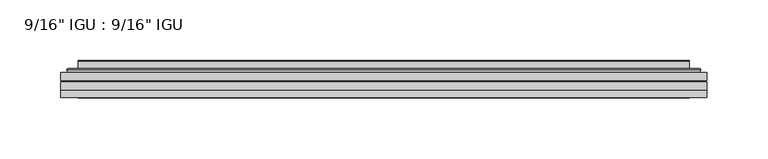
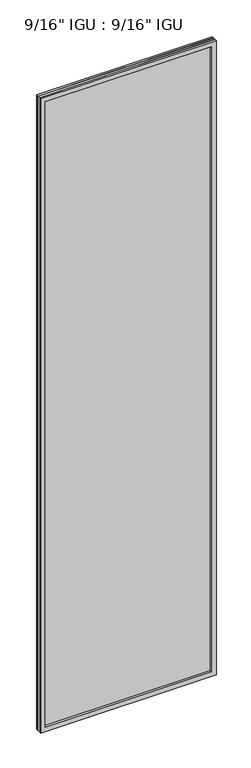
"""IFC4 building model written with IfcOpenShell, lengths in millimetres: plate geometry."""

from ifc_helpers import new_model, si_unit, frame, origin, place, context, project, spatial, polyline, ellipse_curve, outline, extrude, faceted_brep, source, transform, mapped, element, save
from ifc_brep_helpers import plane_surface, cylinder_surface, advanced_brep


def plate_60458204(model_context):
    return source(origin(), model_context, "Body", "SolidModel", [
        extrude(outline(polyline([(265.126675, -54.78145), (265.126675, -61.1317818), (-265.1125, -61.1317818), (-265.1125, -54.78145), (265.126675, -54.78145)])), frame((0.0, 0.0, -14.2875), z_axis=(0.0, 0.0, 1.0), x_axis=(1.0, 0.0, 0.0)), (0.0, 0.0, 1.0), 2022.4787979),
        extrude(outline(polyline([(-265.1125, -69.05625), (-265.1125, -62.705745), (265.126675, -62.705745), (265.126675, -69.05625), (-265.1125, -69.05625)])), frame((0.0, 0.0, -14.2875), z_axis=(0.0, 0.0, 1.0), x_axis=(1.0, 0.0, 0.0)), (0.0, 0.0, 1.0), 2022.4787979),
        faceted_brep([(-265.1252, -75.40625, 2008.2002), (-265.1252, -69.05625, 2008.2002), (-265.1252, -69.05625, -14.3002), (-265.1252, -75.40625, -14.3002), (265.1252, -69.05625, -14.3002), (265.1252, -75.40625, -14.3002), (265.1252, -69.05625, 2008.2002), (265.1252, -75.40625, 2008.2002), (-249.9272559, -69.05625, 0.8977441), (249.9272559, -69.05625, 0.8977441), (249.9272559, -69.05625, 1993.0022559), (-249.9272559, -69.05625, 1993.0022559), (-250.8196902, -75.40625, 1993.8946902), (250.8196902, -75.40625, 1993.8946902), (250.8196902, -75.40625, 0.0053098), (-250.8196902, -75.40625, 0.0053098)], [[[0, 1, 2, 3]], [[3, 2, 4, 5]], [[5, 4, 6, 7]], [[1, 6, 4, 2], [8, 9, 10, 11]], [[7, 6, 1, 0]], [[3, 5, 7, 0], [12, 13, 14, 15]], [[11, 12, 15, 8]], [[8, 15, 14, 9]], [[9, 14, 13, 10]], [[10, 13, 12, 11]]]),
        advanced_brep(
        [(-257.871219, -54.78145, 2000.946219), (-260.2254244, -52.7917833, 2003.3004244), (-260.2254244, -52.7917833, -9.4004244), (-257.871219, -54.78145, -7.046219), (-248.7968939, -50.941413, 1991.8718939), (-243.8620621, -54.78145, 1986.9370621), (-243.8620621, -54.78145, 6.9629379), (-248.7968939, -50.941413, 2.0281061), (-249.8289217, -45.5441819, 1992.9039217), (-249.8289217, -45.5441819, 0.9960783), (-250.8195784, -45.1452069, 1993.8945784), (-250.8195784, -45.1452069, 0.0054216), (-250.8195784, -51.60645, 1993.8945784), (-250.8195784, -51.60645, 0.0054216), (-259.2236349, -51.60645, 2002.2986349), (-259.2236349, -51.60645, -8.3986349), (260.2254244, -52.7917833, -9.4004244), (257.871219, -54.78145, -7.046219), (243.8620621, -54.78145, 6.9629379), (248.7968939, -50.941413, 2.0281061), (249.8289217, -45.5441819, 0.9960783), (250.8195784, -45.1452069, 0.0054216), (250.8195784, -51.60645, 0.0054216), (259.2236349, -51.60645, -8.3986349), (260.2254244, -52.7917833, 2003.3004244), (257.871219, -54.78145, 2000.946219), (243.8620621, -54.78145, 1986.9370621), (248.7968939, -50.941413, 1991.8718939), (249.8289217, -45.5441819, 1992.9039217), (250.8195784, -45.1452069, 1993.8945784), (250.8195784, -51.60645, 1993.8945784), (259.2236349, -51.60645, 2002.2986349)],
        [
            (0, 1, ellipse_curve(frame((-257.871219, -52.39385, 2000.946219), z_axis=(-0.7071067811865475, 0.0, -0.7071067811865475), x_axis=(-0.7071067811865474, 0.0, 0.7071067811865476)), 3.3765763, 2.3876)),
            (1, 2),
            (2, 3, ellipse_curve(frame((-257.871219, -52.39385, -7.046219), z_axis=(-0.7071067811865475, 0.0, 0.7071067811865475), x_axis=(0.7071067811865474, 0.0, 0.7071067811865476)), 3.3765763, 2.3876)),
            (3, 0),
            (4, 5),
            (5, 6),
            (6, 7),
            (7, 4),
            (8, 4),
            (7, 9),
            (9, 8),
            (10, 8, ellipse_curve(frame((-250.4526219, -45.6634423, 1993.5276219), z_axis=(-0.7071067811865475, 0.0, -0.7071067811865475), x_axis=(-0.7071067811865474, 0.0, 0.7071067811865476)), 0.8980256, 0.635)),
            (9, 11, ellipse_curve(frame((-250.4526219, -45.6634423, 0.3723781), z_axis=(-0.7071067811865475, 0.0, 0.7071067811865475), x_axis=(0.7071067811865474, 0.0, 0.7071067811865476)), 0.8980256, 0.635)),
            (11, 10),
            (12, 10),
            (11, 13),
            (13, 12),
            (1, 14, ellipse_curve(frame((-259.2236349, -52.62245, 2002.2986349), z_axis=(-0.7071067811865475, 0.0, -0.7071067811865475), x_axis=(-0.7071067811865474, 0.0, 0.7071067811865476)), 1.436841, 1.016)),
            (14, 15),
            (15, 2, ellipse_curve(frame((-259.2236349, -52.62245, -8.3986349), z_axis=(-0.7071067811865475, 0.0, 0.7071067811865475), x_axis=(0.7071067811865474, 0.0, 0.7071067811865476)), 1.436841, 1.016)),
            (2, 16),
            (16, 17, ellipse_curve(frame((257.871219, -52.39385, -7.046219), z_axis=(-0.7071067811865475, 0.0, -0.7071067811865475), x_axis=(-0.7071067811865476, 0.0, 0.7071067811865474)), 3.3765763, 2.3876)),
            (17, 3),
            (6, 18),
            (18, 19),
            (19, 7),
            (19, 20),
            (20, 9),
            (20, 21, ellipse_curve(frame((250.4526219, -45.6634423, 0.3723781), z_axis=(-0.7071067811865475, 0.0, -0.7071067811865475), x_axis=(-0.7071067811865476, 0.0, 0.7071067811865474)), 0.8980256, 0.635)),
            (21, 11),
            (21, 22),
            (22, 13),
            (15, 23),
            (23, 16, ellipse_curve(frame((259.2236349, -52.62245, -8.3986349), z_axis=(-0.7071067811865475, 0.0, -0.7071067811865475), x_axis=(-0.7071067811865476, 0.0, 0.7071067811865474)), 1.436841, 1.016)),
            (16, 24),
            (24, 25, ellipse_curve(frame((257.871219, -52.39385, 2000.946219), z_axis=(0.7071067811865475, 0.0, -0.7071067811865475), x_axis=(-0.7071067811865474, 0.0, -0.7071067811865476)), 3.3765763, 2.3876)),
            (25, 17),
            (18, 26),
            (26, 27),
            (27, 19),
            (27, 28),
            (28, 20),
            (28, 29, ellipse_curve(frame((250.4526219, -45.6634423, 1993.5276219), z_axis=(0.7071067811865475, 0.0, -0.7071067811865475), x_axis=(-0.7071067811865474, 0.0, -0.7071067811865476)), 0.8980256, 0.635)),
            (29, 21),
            (29, 30),
            (30, 22),
            (23, 31),
            (31, 24, ellipse_curve(frame((259.2236349, -52.62245, 2002.2986349), z_axis=(0.7071067811865475, 0.0, -0.7071067811865475), x_axis=(-0.7071067811865474, 0.0, -0.7071067811865476)), 1.436841, 1.016)),
            (24, 1),
            (0, 25),
            (5, 26),
            (4, 27),
            (8, 28),
            (10, 29),
            (12, 30),
            (14, 31),
        ],
        [
            cylinder_surface(frame((-257.871219, -52.39385, 2025.65), z_axis=(0.0, 0.0, 1.0), x_axis=(-1.0, 0.0, 0.0)), 2.3876),
            plane_surface(frame((-243.8620621, -54.78145, 1986.9370621), z_axis=(0.6141233906514794, 0.7892100234124821, 0.0), x_axis=(0.0, 0.0, -1.0))),
            plane_surface(frame((-248.7968939, -50.941413, 1991.8718939), z_axis=(0.9822050625507728, 0.18781164793386088, 0.0), x_axis=(0.0, 0.0, -1.0))),
            cylinder_surface(frame((-250.4526219, -45.6634423, 2025.65), z_axis=(0.0, 0.0, 1.0), x_axis=(-1.0, 0.0, 0.0)), 0.635),
            plane_surface(frame((-250.8195784, -45.1452069, 1993.8945784), z_axis=(-1.0, 0.0, 0.0), x_axis=(0.0, 0.0, -1.0))),
            cylinder_surface(frame((-259.2236349, -52.62245, 2025.65), z_axis=(0.0, 0.0, 1.0), x_axis=(-1.0, 0.0, 0.0)), 1.016),
            cylinder_surface(frame((-282.575, -52.39385, -7.046219), z_axis=(-1.0, 0.0, 0.0), x_axis=(0.0, 0.0, -1.0)), 2.3876),
            plane_surface(frame((-243.8620621, -54.78145, 6.9629379), z_axis=(0.0, 0.7892100234124841, 0.6141233906514768), x_axis=(1.0, 0.0, 0.0))),
            plane_surface(frame((-248.7968939, -50.941413, 2.0281061), z_axis=(0.0, 0.18781164793386404, 0.9822050625507722), x_axis=(1.0, 0.0, 0.0))),
            cylinder_surface(frame((-282.575, -45.6634423, 0.3723781), z_axis=(-1.0, 0.0, 0.0), x_axis=(0.0, 0.0, -1.0)), 0.635),
            plane_surface(frame((-250.8195784, -45.1452069, 0.0054216), z_axis=(0.0, 0.0, -1.0), x_axis=(1.0, 0.0, 0.0))),
            cylinder_surface(frame((-282.575, -52.62245, -8.3986349), z_axis=(-1.0, 0.0, 0.0), x_axis=(0.0, 0.0, -1.0)), 1.016),
            cylinder_surface(frame((257.871219, -52.39385, -31.75), z_axis=(0.0, 0.0, -1.0), x_axis=(1.0, 0.0, 0.0)), 2.3876),
            plane_surface(frame((243.8620621, -54.78145, 6.9629379), z_axis=(-0.6141233906514743, 0.7892100234124861, 0.0), x_axis=(0.0, 0.0, 1.0))),
            plane_surface(frame((248.7968939, -50.941413, 2.0281061), z_axis=(-0.9822050625507717, 0.1878116479338672, 0.0), x_axis=(0.0, 0.0, 1.0))),
            cylinder_surface(frame((250.4526219, -45.6634423, -31.75), z_axis=(0.0, 0.0, -1.0), x_axis=(1.0, 0.0, 0.0)), 0.635),
            plane_surface(frame((250.8195784, -45.1452069, 0.0054216), z_axis=(1.0, 0.0, 0.0), x_axis=(0.0, 0.0, 1.0))),
            cylinder_surface(frame((259.2236349, -52.62245, -31.75), z_axis=(0.0, 0.0, -1.0), x_axis=(1.0, 0.0, 0.0)), 1.016),
            cylinder_surface(frame((282.575, -52.39385, 2000.946219), z_axis=(1.0, 0.0, 0.0), x_axis=(0.0, 0.0, 1.0)), 2.3876),
            plane_surface(frame((257.871219, -54.78145, 2000.946219), z_axis=(0.0, -1.0, 0.0), x_axis=(-1.0, 0.0, 0.0))),
            plane_surface(frame((243.8620621, -54.78145, 1986.9370621), z_axis=(0.0, 0.7892100234124841, -0.6141233906514768), x_axis=(-1.0, 0.0, 0.0))),
            plane_surface(frame((248.7968939, -50.941413, 1991.8718939), z_axis=(0.0, 0.18781164793386404, -0.9822050625507722), x_axis=(-1.0, 0.0, 0.0))),
            cylinder_surface(frame((282.575, -45.6634423, 1993.5276219), z_axis=(1.0, 0.0, 0.0), x_axis=(0.0, 0.0, 1.0)), 0.635),
            plane_surface(frame((250.8195784, -45.1452069, 1993.8945784), z_axis=(0.0, 0.0, 1.0), x_axis=(-1.0, 0.0, 0.0))),
            plane_surface(frame((250.8195784, -51.60645, 1993.8945784), z_axis=(0.0, 1.0, 0.0), x_axis=(-1.0, 0.0, 0.0))),
            cylinder_surface(frame((282.575, -52.62245, 2002.2986349), z_axis=(1.0, 0.0, 0.0), x_axis=(0.0, 0.0, 1.0)), 1.016),
        ],
        [
            (0, [[1, 2, 3, 4]]),
            (1, [[5, 6, 7, 8]]),
            (2, [[9, -8, 10, 11]]),
            (3, [[12, -11, 13, 14]]),
            (4, [[15, -14, 16, 17]]),
            (5, [[18, 19, 20, -2]]),
            (6, [[-3, 21, 22, 23]]),
            (7, [[-7, 24, 25, 26]]),
            (8, [[-10, -26, 27, 28]]),
            (9, [[-13, -28, 29, 30]]),
            (10, [[-16, -30, 31, 32]]),
            (11, [[-20, 33, 34, -21]]),
            (12, [[-22, 35, 36, 37]]),
            (13, [[-25, 38, 39, 40]]),
            (14, [[-27, -40, 41, 42]]),
            (15, [[-29, -42, 43, 44]]),
            (16, [[-31, -44, 45, 46]]),
            (17, [[-34, 47, 48, -35]]),
            (18, [[-36, 49, -1, 50]]),
            (19, [[-23, -37, -50, -4], [51, -38, -24, -6]]),
            (20, [[-39, -51, -5, 52]]),
            (21, [[-41, -52, -9, 53]]),
            (22, [[-43, -53, -12, 54]]),
            (23, [[-45, -54, -15, 55]]),
            (24, [[56, -47, -33, -19], [-32, -46, -55, -17]]),
            (25, [[-48, -56, -18, -49]]),
        ],
    ),
    ])


if __name__ == "__main__":
    model = new_model("IFC4")
    model_context = context("Model", 3, world=origin())
    ifc_project = project(units=[si_unit("LENGTHUNIT", "METRE", prefix="MILLI")], contexts=[model_context])
    site = spatial("IfcSite", under=ifc_project)
    building = spatial("IfcBuilding", under=site)
    placement = place(None, origin())
    plate_shape = plate_60458204(model_context)
    element("IfcPlate", 1, ObjectType="9/16\" IGU : 9/16\" IGU", at=placement, inside=building, context=model_context, shape_type="MappedRepresentation", body=[
        mapped(plate_shape, transform((0.0, 0.0, 0.0), x_axis=(1.0, 0.0, 0.0), y_axis=(0.0, 1.0, 0.0), z_axis=(0.0, 0.0, 1.0))),
    ])
    save(model, "model.ifc")
